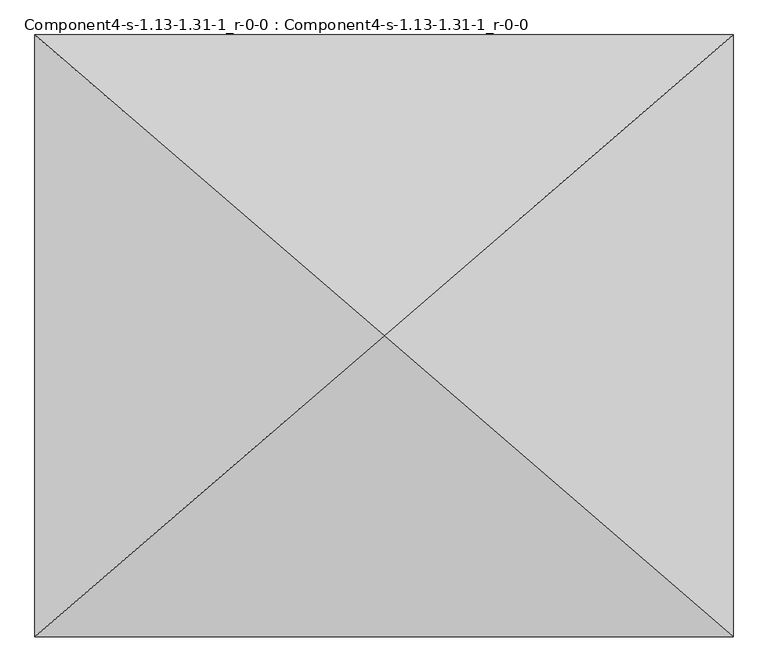
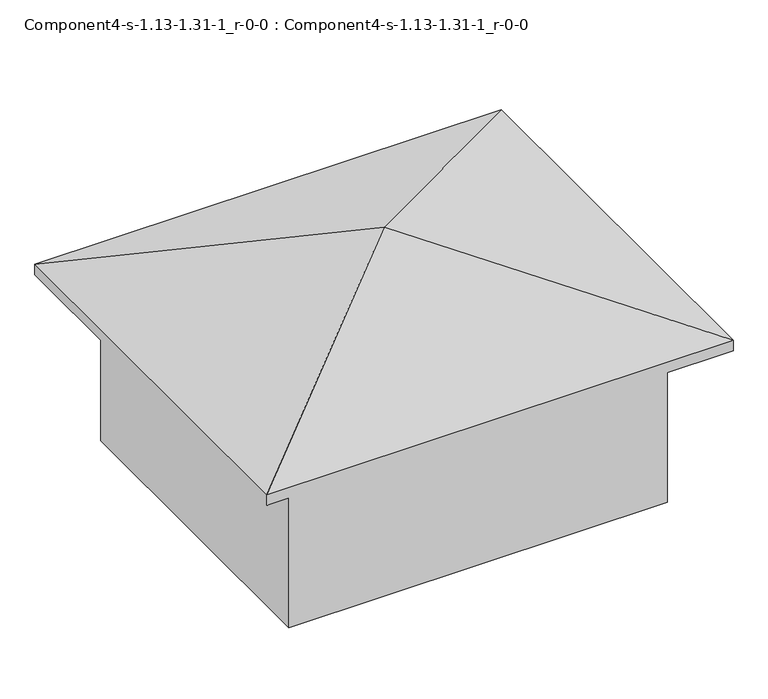
"""IFC4 building model written with IfcOpenShell, lengths in millimetres: geographic element geometry, Component4-s-1.13-1.31-1_r-0-0 : Component4-s-1.13-1.31-1_r-0-0."""

from ifc_helpers import new_model, si_unit, origin, place, context, project, spatial, triangles, source, transform, mapped, element, save


def component4_s_1_13_1_31_1_r_0_0_component4_s_1_13_1_31_1_r_0_31213302(model_context):
    return source(origin(), model_context, "Body", "Tessellation", [
        triangles([(4248.2749924, 3661.7474213, 4705.35), (0.0, 7323.4948425, 3263.8999031), (0.0, 0.0, 3263.8999031), (8496.5499847, 7323.4948425, 3263.8999031), (8496.5499847, 0.0, 3263.8999031), (8496.5499847, 7323.4948425, 3060.7000969), (0.0, 0.0, 3060.7000969), (0.0, 7323.4948425, 3060.7000969), (8496.5499847, 0.0, 3060.7000969), (7697.3644638, 6634.6467728, 0.0), (799.1855936, 688.8479971, 0.0), (799.1855936, 6634.6467728, 0.0), (7697.3644638, 688.8479971, 0.0), (7697.3644638, 688.8479971, 3263.8999031), (799.1855936, 688.8479971, 3263.8999031), (7697.3644638, 6634.6467728, 3263.8999031), (799.1855936, 6634.6467728, 3263.8999031)], [[1, 2, 3], [4, 2, 1], [5, 1, 3], [4, 1, 5], [6, 7, 8], [7, 6, 9], [2, 7, 3], [7, 2, 8], [2, 6, 8], [6, 2, 4], [6, 5, 9], [5, 6, 4], [5, 7, 9], [7, 5, 3], [10, 11, 12], [11, 10, 13], [14, 11, 13], [11, 14, 15], [10, 14, 13], [14, 10, 16], [17, 10, 12], [10, 17, 16], [17, 11, 15], [11, 17, 12], [14, 17, 15], [17, 14, 16]]),
    ])


if __name__ == "__main__":
    model = new_model("IFC4")
    model_context = context("Model", 3, world=origin())
    ifc_project = project(units=[si_unit("LENGTHUNIT", "METRE", prefix="MILLI")], contexts=[model_context])
    site = spatial("IfcSite", under=ifc_project)
    building = spatial("IfcBuilding", under=site)
    placement = place(None, origin())
    component4_s_1_13_1_31_1_r_0_0_component4_s_1_13_1_31_1_r_0_shape = component4_s_1_13_1_31_1_r_0_0_component4_s_1_13_1_31_1_r_0_31213302(model_context)
    element("IfcGeographicElement", 1, ObjectType="Component4-s-1.13-1.31-1_r-0-0 : Component4-s-1.13-1.31-1_r-0-0", at=placement, inside=building, context=model_context, shape_type="MappedRepresentation", body=[
        mapped(component4_s_1_13_1_31_1_r_0_0_component4_s_1_13_1_31_1_r_0_shape, transform((0.0, 0.0, 0.0), x_axis=(1.0, 0.0, 0.0), y_axis=(0.0, 1.0, 0.0), z_axis=(0.0, 0.0, 1.0))),
    ])
    save(model, "model.ifc")
